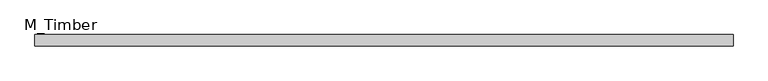
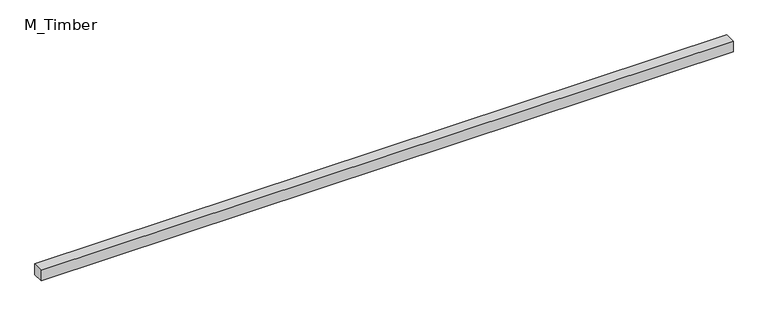
"""IFC4 building model written with IfcOpenShell, lengths in millimetres: beam geometry, M_Timber."""

from ifc_helpers import new_model, si_unit, frame, origin, place, context, project, spatial, polyline, outline, extrude, source, transform, mapped, element, save


def m_timber_14537755(model_context):
    return source(origin(), model_context, "Body", "SweptSolid", [
        extrude(outline(polyline([(1241.7571882, 20.0), (1241.7571882, -20.0), (-1241.7571882, -20.0), (-1241.7571882, 20.0), (1241.7571882, 20.0)])), frame((0.0, 0.0, -20.0), z_axis=(0.0, 0.0, 1.0), x_axis=(1.0, 0.0, 0.0)), (0.0, 0.0, 1.0), 40.0),
    ])


if __name__ == "__main__":
    model = new_model("IFC4")
    model_context = context("Model", 3, world=origin())
    ifc_project = project(units=[si_unit("LENGTHUNIT", "METRE", prefix="MILLI")], contexts=[model_context])
    site = spatial("IfcSite", under=ifc_project)
    building = spatial("IfcBuilding", under=site)
    placement = place(None, origin())
    m_timber_shape = m_timber_14537755(model_context)
    element("IfcBeam", 1, ObjectType="M_Timber", at=placement, inside=building, context=model_context, shape_type="MappedRepresentation", body=[
        mapped(m_timber_shape, transform((0.0, 0.0, 0.0), x_axis=(1.0, 0.0, 0.0), y_axis=(0.0, 1.0, 0.0), z_axis=(0.0, 0.0, 1.0))),
    ])
    save(model, "model.ifc")
